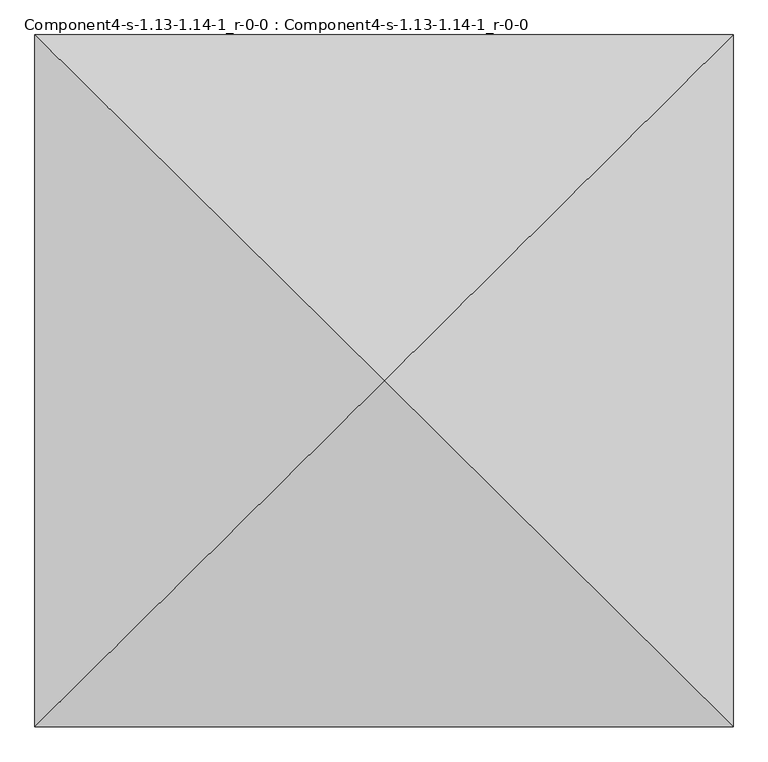
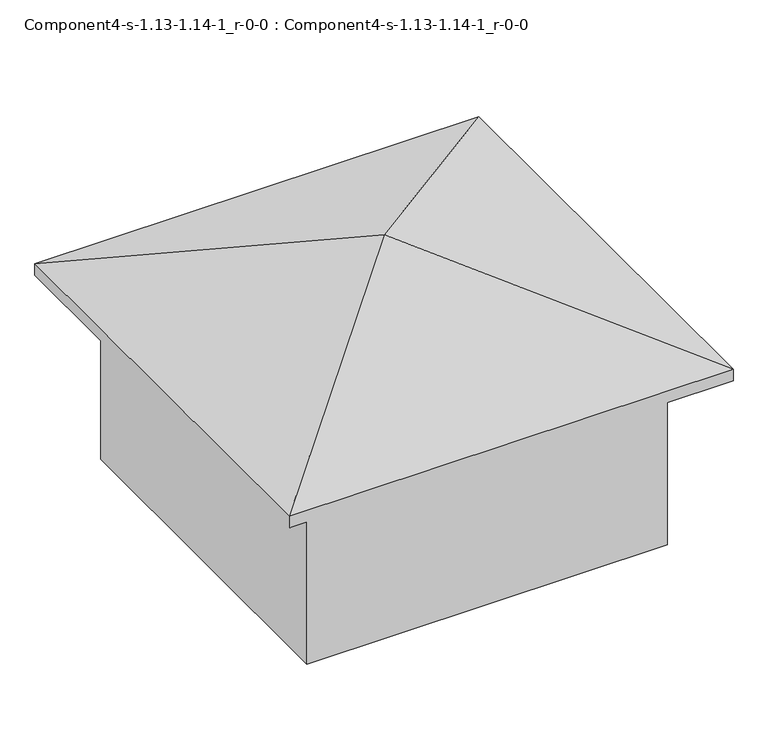
"""IFC4 building model written with IfcOpenShell, lengths in millimetres: geographic element geometry, Component4-s-1.13-1.14-1_r-0-0 : Component4-s-1.13-1.14-1_r-0-0."""

import ifcopenshell
import ifcopenshell.guid

model = None  # the IFC model being written
_history = None  # IfcOwnerHistory: only IFC2X3 demands one
_inside = {}  # id of a spatial element -> (the spatial element, [elements in it])
_under = {}  # id of a project, library or spatial element -> (it, [spatial elements below it])
_declared = {}  # id of a project -> (the project, [libraries it declares])
_typed = {}  # id of a type object -> (the type object, [elements of that type])
_made_of = {}  # id of a material, layer set ... -> (it, [elements and type objects made of it])


def new_model(schema):
    """Start an empty IFC model of exactly this schema.

    Asked for "IFC4X3", IfcOpenShell would pick the latest addendum, in which some entities
    have other attributes; the version numbers below select the first issue.
    IFC2X3 requires an IfcOwnerHistory on every rooted entity: one is made here for all.
    """
    global model, _history
    if schema == "IFC4X3":
        model = ifcopenshell.file(schema_version=(4, 3, 0, 0))
    else:
        model = ifcopenshell.file(schema=schema)
    _inside.clear()
    _under.clear()
    _declared.clear()
    _typed.clear()
    _made_of.clear()
    _history = None
    if model.schema == "IFC2X3":
        org = make("IfcOrganization", Name="unknown")
        user = make(
            "IfcPersonAndOrganization",
            ThePerson=make("IfcPerson", FamilyName="unknown"),
            TheOrganization=org,
        )
        app = make(
            "IfcApplication",
            ApplicationDeveloper=org,
            Version="unknown",
            ApplicationFullName="unknown",
            ApplicationIdentifier="unknown",
        )
        _history = make(
            "IfcOwnerHistory",
            OwningUser=user,
            OwningApplication=app,
            ChangeAction="ADDED",
            CreationDate=0,
        )
    return model


def make(cls, **values):
    """One entity of the class cls with the attributes given. An attribute that is None is left unset."""
    return model.create_entity(
        cls, **{name: value for name, value in values.items() if value is not None}
    )


def rooted(cls, **values):
    """An entity with a GlobalId (a new one), such as an element, a storey or a relation."""
    return make(cls, GlobalId=ifcopenshell.guid.new(), OwnerHistory=_history, **values)


def si_unit(unit_type, name, prefix=None):
    """IfcSIUnit, for example si_unit("LENGTHUNIT", "METRE", prefix="MILLI")."""
    return make("IfcSIUnit", UnitType=unit_type, Prefix=prefix, Name=name)


def assignment(units):
    """IfcUnitAssignment: the units of a project."""
    return None if units is None else make("IfcUnitAssignment", Units=units)


def point(xyz):
    """IfcCartesianPoint."""
    return None if xyz is None else make("IfcCartesianPoint", Coordinates=xyz)


def direction(xyz):
    """IfcDirection."""
    return None if xyz is None else make("IfcDirection", DirectionRatios=xyz)


def frame(location, z_axis=None, x_axis=None):
    """IfcAxis2Placement3D, a coordinate frame: its origin and axes. An axis left out is left unset."""
    return make(
        "IfcAxis2Placement3D",
        Location=point(location),
        Axis=direction(z_axis),
        RefDirection=direction(x_axis),
    )


def origin():
    """The frame at (0, 0, 0) with its axes left unset."""
    return frame((0.0, 0.0, 0.0))


def place(relative_to, where):
    """IfcLocalPlacement: puts the frame where relative to a parent placement (None: the world)."""
    return make(
        "IfcLocalPlacement", PlacementRelTo=relative_to, RelativePlacement=where
    )


def context(
    kind, dimensions, precision=None, world=None, true_north=None, identifier=None
):
    """IfcGeometricRepresentationContext, for example the 3D "Model" context."""
    return make(
        "IfcGeometricRepresentationContext",
        ContextIdentifier=identifier,
        ContextType=kind,
        CoordinateSpaceDimension=dimensions,
        Precision=precision,
        WorldCoordinateSystem=world,
        TrueNorth=true_north,
    )


def project(units=None, contexts=None):
    """IfcProject with its units and contexts."""
    return rooted(
        "IfcProject",
        Name="project",
        RepresentationContexts=contexts,
        UnitsInContext=assignment(units),
    )


def spatial(cls, under=None, at=None, **own):
    """A site, building, storey or space (cls), placed at a placement, below another one or the project."""
    s = rooted(cls, ObjectPlacement=at, **own)
    if under is not None:
        _under.setdefault(under.id(), (under, []))[1].append(s)
    return s


def point_list(points):
    """IfcCartesianPointList2D or 3D."""
    cls = (
        "IfcCartesianPointList2D" if len(points[0]) == 2 else "IfcCartesianPointList3D"
    )
    return make(cls, CoordList=points)


def triangles(points, corners, closed=None, point_numbers=None):
    """IfcTriangulatedFaceSet: each triangle names its three corners, points numbered from 1."""
    return make(
        "IfcTriangulatedFaceSet",
        Coordinates=point_list(points),
        Closed=closed,
        CoordIndex=corners,
        PnIndex=point_numbers,
    )


def shape(context_of_items, identifier, shape_type, items):
    """IfcShapeRepresentation: the items that make up one representation, for example the "Body"."""
    return make(
        "IfcShapeRepresentation",
        ContextOfItems=context_of_items,
        RepresentationIdentifier=identifier,
        RepresentationType=shape_type,
        Items=items,
    )


def source(mapping_origin, context_of_items, identifier, shape_type, items):
    """IfcRepresentationMap: a shape defined once, which mapped items show again and again."""
    return make(
        "IfcRepresentationMap",
        MappingOrigin=mapping_origin,
        MappedRepresentation=shape(context_of_items, identifier, shape_type, items),
    )


def transform(
    local_origin,
    x_axis=None,
    y_axis=None,
    z_axis=None,
    scale=None,
    scale2=None,
    scale3=None,
    uniform=True,
):
    """IfcCartesianTransformationOperator3D, or its non-uniform kind. x_axis, y_axis, z_axis: its Axis1, 2, 3."""
    if uniform:
        return make(
            "IfcCartesianTransformationOperator3D",
            Axis1=direction(x_axis),
            Axis2=direction(y_axis),
            LocalOrigin=point(local_origin),
            Scale=scale,
            Axis3=direction(z_axis),
        )
    return make(
        "IfcCartesianTransformationOperator3DnonUniform",
        Axis1=direction(x_axis),
        Axis2=direction(y_axis),
        LocalOrigin=point(local_origin),
        Scale=scale,
        Axis3=direction(z_axis),
        Scale2=scale2,
        Scale3=scale3,
    )


def mapped(mapping_source, mapping_target):
    """IfcMappedItem: shows the shape of a source again, moved by a transform."""
    return make(
        "IfcMappedItem", MappingSource=mapping_source, MappingTarget=mapping_target
    )


def made_of(thing, what):
    """Note that an element or type object is made of a material, layer set ...; save() writes the relation."""
    if what is not None:
        _made_of.setdefault(what.id(), (what, []))[1].append(thing)
    return thing


def element(
    cls,
    number,
    at=None,
    inside=None,
    cuts=None,
    type_object=None,
    material=None,
    context=None,
    identifier="Body",
    shape_type=None,
    held_by="IfcProductDefinitionShape",
    body=None,
    shapes=None,
    **own,
):
    """One element of the class cls, such as IfcWall. Its Tag is "e" and its number.

    at: its placement. inside: the storey or other place that contains it. cuts: it is an
    opening in that element (IfcRelVoidsElement). A single representation is given by context,
    identifier, shape_type and body (its items); several are given by shapes. held_by: the class
    of the entity that holds the representations. save() writes the other relations.
    """
    e = rooted(cls, Tag="e%d" % number, ObjectPlacement=at, **own)
    if body is not None:
        shapes = [shape(context, identifier, shape_type, body)]
    if shapes is not None:
        e.Representation = make(held_by, Representations=shapes)
    if inside is not None:
        _inside.setdefault(inside.id(), (inside, []))[1].append(e)
    if cuts is not None:
        rooted(
            "IfcRelVoidsElement", RelatingBuildingElement=cuts, RelatedOpeningElement=e
        )
    if type_object is not None:
        _typed.setdefault(type_object.id(), (type_object, []))[1].append(e)
    return made_of(e, material)


def aggregate(whole, parts):
    """IfcRelAggregates: a whole, such as a stair, and the parts it consists of."""
    return rooted("IfcRelAggregates", RelatingObject=whole, RelatedObjects=parts)


def save(model, path):
    """Write the relations noted so far, then the file.

    IfcRelAggregates (storeys below a building ...), IfcRelContainedInSpatialStructure (elements
    in a storey), IfcRelDefinesByType, IfcRelAssociatesMaterial and IfcRelDeclares: one each for
    every whole, place, type object, material and project.
    """
    for whole, parts in _under.values():
        aggregate(whole, parts)
    for where, things in _inside.values():
        rooted(
            "IfcRelContainedInSpatialStructure",
            RelatedElements=things,
            RelatingStructure=where,
        )
    for kind, things in _typed.values():
        rooted("IfcRelDefinesByType", RelatedObjects=things, RelatingType=kind)
    for what, things in _made_of.values():
        rooted("IfcRelAssociatesMaterial", RelatedObjects=things, RelatingMaterial=what)
    for by, libraries in _declared.values():
        rooted("IfcRelDeclares", RelatingContext=by, RelatedDefinitions=libraries)
    model.write(path)


def component4_s_1_13_1_14_1_r_0_0_component4_s_1_13_1_14_1_r_0_c382d4b2(model_context):
    return source(origin(), model_context, "Body", "Tessellation", [
        triangles([(3694.1521294, 3661.7474213, 4705.35), (0.0, 7323.4948425, 3263.8999031), (0.0, 0.0, 3263.8999031), (7388.3042587, 7323.4948425, 3263.8999031), (7388.3042587, 0.0, 3263.8999031), (7388.3042587, 7323.4948425, 3060.7000969), (0.0, 0.0, 3060.7000969), (0.0, 7323.4948425, 3060.7000969), (7388.3042587, 0.0, 3060.7000969), (6693.3606308, 6634.6467728, 0.0), (694.9439913, 688.8479971, 0.0), (694.9439913, 6634.6467728, 0.0), (6693.3606308, 688.8479971, 0.0), (6693.3606308, 688.8479971, 3263.8999031), (694.9439913, 688.8479971, 3263.8999031), (6693.3606308, 6634.6467728, 3263.8999031), (694.9439913, 6634.6467728, 3263.8999031)], [[1, 2, 3], [4, 2, 1], [5, 1, 3], [4, 1, 5], [6, 7, 8], [7, 6, 9], [2, 7, 3], [7, 2, 8], [2, 6, 8], [6, 2, 4], [6, 5, 9], [5, 6, 4], [5, 7, 9], [7, 5, 3], [10, 11, 12], [11, 10, 13], [14, 11, 13], [11, 14, 15], [10, 14, 13], [14, 10, 16], [17, 10, 12], [10, 17, 16], [17, 11, 15], [11, 17, 12], [14, 17, 15], [17, 14, 16]]),
    ])


if __name__ == "__main__":
    model = new_model("IFC4")
    model_context = context("Model", 3, world=origin())
    ifc_project = project(units=[si_unit("LENGTHUNIT", "METRE", prefix="MILLI")], contexts=[model_context])
    site = spatial("IfcSite", under=ifc_project)
    building = spatial("IfcBuilding", under=site)
    placement = place(None, origin())
    component4_s_1_13_1_14_1_r_0_0_component4_s_1_13_1_14_1_r_0_shape = component4_s_1_13_1_14_1_r_0_0_component4_s_1_13_1_14_1_r_0_c382d4b2(model_context)
    element("IfcGeographicElement", 1, ObjectType="Component4-s-1.13-1.14-1_r-0-0 : Component4-s-1.13-1.14-1_r-0-0", at=placement, inside=building, context=model_context, shape_type="MappedRepresentation", body=[
        mapped(component4_s_1_13_1_14_1_r_0_0_component4_s_1_13_1_14_1_r_0_shape, transform((0.0, 0.0, 0.0), x_axis=(1.0, 0.0, 0.0), y_axis=(0.0, 1.0, 0.0), z_axis=(0.0, 0.0, 1.0))),
    ])
    save(model, "model.ifc")
